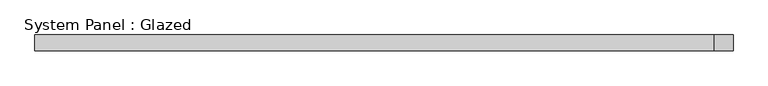
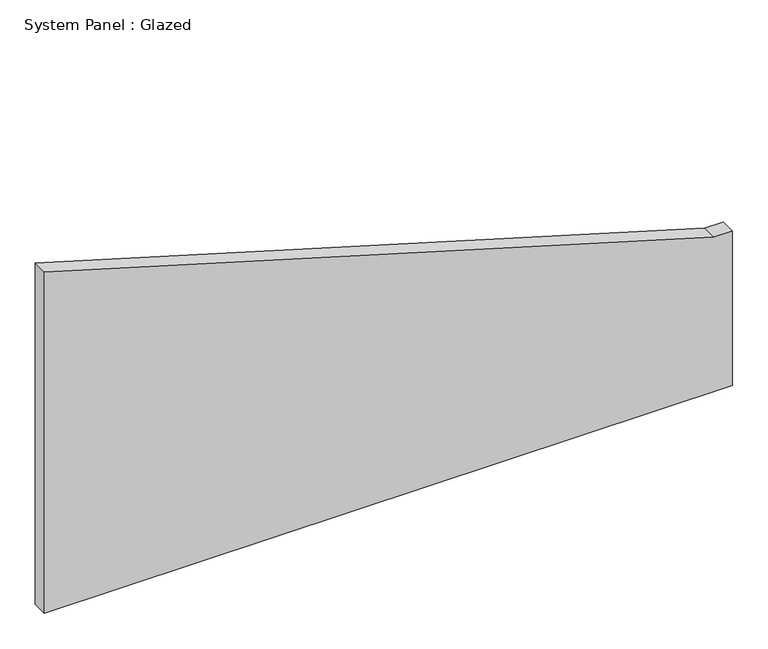
"""IFC4 building model written with IfcOpenShell, lengths in millimetres: plate geometry, System Panel : Glazed."""

from ifc_helpers import new_model, si_unit, frame, origin, place, context, project, spatial, polyline, outline, extrude, source, transform, mapped, element, save


def system_panel_glazed_bc235dcc(model_context):
    return source(origin(), model_context, "Body", "SweptSolid", [
        extrude(outline(polyline([(0.0, -561.975), (0.0, 561.975), (266.758923, 561.975), (266.758923, 531.8570734), (589.4374823, -561.975), (0.0, -561.975)])), frame((0.0, 19.05, 0.0), z_axis=(0.0, 1.0, 0.0), x_axis=(0.0, 0.0, 1.0)), (0.0, 0.0, 1.0), 25.4),
    ])


if __name__ == "__main__":
    model = new_model("IFC4")
    model_context = context("Model", 3, world=origin())
    ifc_project = project(units=[si_unit("LENGTHUNIT", "METRE", prefix="MILLI")], contexts=[model_context])
    site = spatial("IfcSite", under=ifc_project)
    building = spatial("IfcBuilding", under=site)
    placement = place(None, origin())
    system_panel_glazed_shape = system_panel_glazed_bc235dcc(model_context)
    element("IfcPlate", 1, ObjectType="System Panel : Glazed", at=placement, inside=building, context=model_context, shape_type="MappedRepresentation", body=[
        mapped(system_panel_glazed_shape, transform((0.0, 0.0, 0.0), x_axis=(1.0, 0.0, 0.0), y_axis=(0.0, 1.0, 0.0), z_axis=(0.0, 0.0, 1.0))),
    ])
    save(model, "model.ifc")
